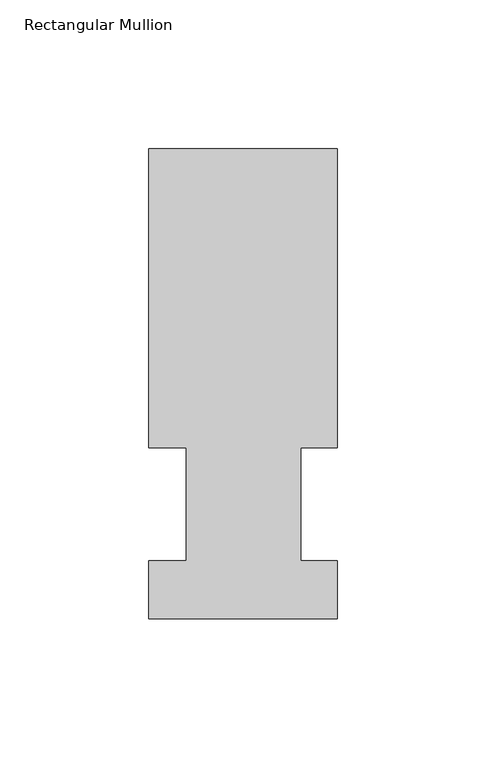
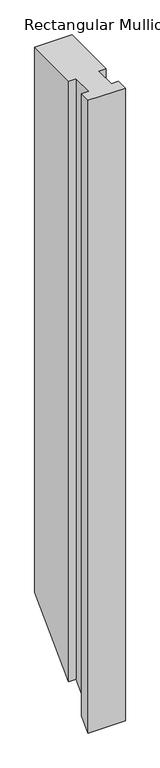
"""IFC4 building model written with IfcOpenShell, lengths in millimetres: member geometry, Rectangular Mullion."""

import ifcopenshell
import ifcopenshell.guid

model = None  # the IFC model being written
_history = None  # IfcOwnerHistory: only IFC2X3 demands one
_inside = {}  # id of a spatial element -> (the spatial element, [elements in it])
_under = {}  # id of a project, library or spatial element -> (it, [spatial elements below it])
_declared = {}  # id of a project -> (the project, [libraries it declares])
_typed = {}  # id of a type object -> (the type object, [elements of that type])
_made_of = {}  # id of a material, layer set ... -> (it, [elements and type objects made of it])


def new_model(schema):
    """Start an empty IFC model of exactly this schema.

    Asked for "IFC4X3", IfcOpenShell would pick the latest addendum, in which some entities
    have other attributes; the version numbers below select the first issue.
    IFC2X3 requires an IfcOwnerHistory on every rooted entity: one is made here for all.
    """
    global model, _history
    if schema == "IFC4X3":
        model = ifcopenshell.file(schema_version=(4, 3, 0, 0))
    else:
        model = ifcopenshell.file(schema=schema)
    _inside.clear()
    _under.clear()
    _declared.clear()
    _typed.clear()
    _made_of.clear()
    _history = None
    if model.schema == "IFC2X3":
        org = make("IfcOrganization", Name="unknown")
        user = make(
            "IfcPersonAndOrganization",
            ThePerson=make("IfcPerson", FamilyName="unknown"),
            TheOrganization=org,
        )
        app = make(
            "IfcApplication",
            ApplicationDeveloper=org,
            Version="unknown",
            ApplicationFullName="unknown",
            ApplicationIdentifier="unknown",
        )
        _history = make(
            "IfcOwnerHistory",
            OwningUser=user,
            OwningApplication=app,
            ChangeAction="ADDED",
            CreationDate=0,
        )
    return model


def make(cls, **values):
    """One entity of the class cls with the attributes given. An attribute that is None is left unset."""
    return model.create_entity(
        cls, **{name: value for name, value in values.items() if value is not None}
    )


def rooted(cls, **values):
    """An entity with a GlobalId (a new one), such as an element, a storey or a relation."""
    return make(cls, GlobalId=ifcopenshell.guid.new(), OwnerHistory=_history, **values)


def si_unit(unit_type, name, prefix=None):
    """IfcSIUnit, for example si_unit("LENGTHUNIT", "METRE", prefix="MILLI")."""
    return make("IfcSIUnit", UnitType=unit_type, Prefix=prefix, Name=name)


def assignment(units):
    """IfcUnitAssignment: the units of a project."""
    return None if units is None else make("IfcUnitAssignment", Units=units)


def point(xyz):
    """IfcCartesianPoint."""
    return None if xyz is None else make("IfcCartesianPoint", Coordinates=xyz)


def direction(xyz):
    """IfcDirection."""
    return None if xyz is None else make("IfcDirection", DirectionRatios=xyz)


def frame(location, z_axis=None, x_axis=None):
    """IfcAxis2Placement3D, a coordinate frame: its origin and axes. An axis left out is left unset."""
    return make(
        "IfcAxis2Placement3D",
        Location=point(location),
        Axis=direction(z_axis),
        RefDirection=direction(x_axis),
    )


def origin():
    """The frame at (0, 0, 0) with its axes left unset."""
    return frame((0.0, 0.0, 0.0))


def place(relative_to, where):
    """IfcLocalPlacement: puts the frame where relative to a parent placement (None: the world)."""
    return make(
        "IfcLocalPlacement", PlacementRelTo=relative_to, RelativePlacement=where
    )


def context(
    kind, dimensions, precision=None, world=None, true_north=None, identifier=None
):
    """IfcGeometricRepresentationContext, for example the 3D "Model" context."""
    return make(
        "IfcGeometricRepresentationContext",
        ContextIdentifier=identifier,
        ContextType=kind,
        CoordinateSpaceDimension=dimensions,
        Precision=precision,
        WorldCoordinateSystem=world,
        TrueNorth=true_north,
    )


def project(units=None, contexts=None):
    """IfcProject with its units and contexts."""
    return rooted(
        "IfcProject",
        Name="project",
        RepresentationContexts=contexts,
        UnitsInContext=assignment(units),
    )


def spatial(cls, under=None, at=None, **own):
    """A site, building, storey or space (cls), placed at a placement, below another one or the project."""
    s = rooted(cls, ObjectPlacement=at, **own)
    if under is not None:
        _under.setdefault(under.id(), (under, []))[1].append(s)
    return s


def faces_of(points, faces, orient=None, outer=None):
    """IfcFace entities. A face is a list of loops; a loop is a list of indices into points, from 0.

    orient and outer hold one flag for each loop. By default every Orientation is true, the
    first loop of a face is its IfcFaceOuterBound and the others are IfcFaceBound.
    """
    made = []
    for i, loops in enumerate(faces):
        bounds = []
        for j, loop in enumerate(loops):
            is_outer = j == 0 if outer is None else outer[i][j]
            bounds.append(
                make(
                    "IfcFaceOuterBound" if is_outer else "IfcFaceBound",
                    Bound=make("IfcPolyLoop", Polygon=[points[k] for k in loop]),
                    Orientation=True if orient is None else orient[i][j],
                )
            )
        made.append(make("IfcFace", Bounds=bounds))
    return made


def faceted_brep(points, faces, orient=None, outer=None, voids=None):
    """IfcFacetedBrep: a solid bounded by flat faces; with voids (closed shells), ...WithVoids."""
    shared = [point(p) for p in points]
    hull = make("IfcClosedShell", CfsFaces=faces_of(shared, faces, orient, outer))
    if voids is None:
        return make("IfcFacetedBrep", Outer=hull)
    return make(
        "IfcFacetedBrepWithVoids",
        Outer=hull,
        Voids=[
            make(cls, CfsFaces=faces_of(shared, fs, o, b)) for cls, fs, o, b in voids
        ],
    )


def shape(context_of_items, identifier, shape_type, items):
    """IfcShapeRepresentation: the items that make up one representation, for example the "Body"."""
    return make(
        "IfcShapeRepresentation",
        ContextOfItems=context_of_items,
        RepresentationIdentifier=identifier,
        RepresentationType=shape_type,
        Items=items,
    )


def source(mapping_origin, context_of_items, identifier, shape_type, items):
    """IfcRepresentationMap: a shape defined once, which mapped items show again and again."""
    return make(
        "IfcRepresentationMap",
        MappingOrigin=mapping_origin,
        MappedRepresentation=shape(context_of_items, identifier, shape_type, items),
    )


def transform(
    local_origin,
    x_axis=None,
    y_axis=None,
    z_axis=None,
    scale=None,
    scale2=None,
    scale3=None,
    uniform=True,
):
    """IfcCartesianTransformationOperator3D, or its non-uniform kind. x_axis, y_axis, z_axis: its Axis1, 2, 3."""
    if uniform:
        return make(
            "IfcCartesianTransformationOperator3D",
            Axis1=direction(x_axis),
            Axis2=direction(y_axis),
            LocalOrigin=point(local_origin),
            Scale=scale,
            Axis3=direction(z_axis),
        )
    return make(
        "IfcCartesianTransformationOperator3DnonUniform",
        Axis1=direction(x_axis),
        Axis2=direction(y_axis),
        LocalOrigin=point(local_origin),
        Scale=scale,
        Axis3=direction(z_axis),
        Scale2=scale2,
        Scale3=scale3,
    )


def mapped(mapping_source, mapping_target):
    """IfcMappedItem: shows the shape of a source again, moved by a transform."""
    return make(
        "IfcMappedItem", MappingSource=mapping_source, MappingTarget=mapping_target
    )


def made_of(thing, what):
    """Note that an element or type object is made of a material, layer set ...; save() writes the relation."""
    if what is not None:
        _made_of.setdefault(what.id(), (what, []))[1].append(thing)
    return thing


def element(
    cls,
    number,
    at=None,
    inside=None,
    cuts=None,
    type_object=None,
    material=None,
    context=None,
    identifier="Body",
    shape_type=None,
    held_by="IfcProductDefinitionShape",
    body=None,
    shapes=None,
    **own,
):
    """One element of the class cls, such as IfcWall. Its Tag is "e" and its number.

    at: its placement. inside: the storey or other place that contains it. cuts: it is an
    opening in that element (IfcRelVoidsElement). A single representation is given by context,
    identifier, shape_type and body (its items); several are given by shapes. held_by: the class
    of the entity that holds the representations. save() writes the other relations.
    """
    e = rooted(cls, Tag="e%d" % number, ObjectPlacement=at, **own)
    if body is not None:
        shapes = [shape(context, identifier, shape_type, body)]
    if shapes is not None:
        e.Representation = make(held_by, Representations=shapes)
    if inside is not None:
        _inside.setdefault(inside.id(), (inside, []))[1].append(e)
    if cuts is not None:
        rooted(
            "IfcRelVoidsElement", RelatingBuildingElement=cuts, RelatedOpeningElement=e
        )
    if type_object is not None:
        _typed.setdefault(type_object.id(), (type_object, []))[1].append(e)
    return made_of(e, material)


def aggregate(whole, parts):
    """IfcRelAggregates: a whole, such as a stair, and the parts it consists of."""
    return rooted("IfcRelAggregates", RelatingObject=whole, RelatedObjects=parts)


def save(model, path):
    """Write the relations noted so far, then the file.

    IfcRelAggregates (storeys below a building ...), IfcRelContainedInSpatialStructure (elements
    in a storey), IfcRelDefinesByType, IfcRelAssociatesMaterial and IfcRelDeclares: one each for
    every whole, place, type object, material and project.
    """
    for whole, parts in _under.values():
        aggregate(whole, parts)
    for where, things in _inside.values():
        rooted(
            "IfcRelContainedInSpatialStructure",
            RelatedElements=things,
            RelatingStructure=where,
        )
    for kind, things in _typed.values():
        rooted("IfcRelDefinesByType", RelatedObjects=things, RelatingType=kind)
    for what, things in _made_of.values():
        rooted("IfcRelAssociatesMaterial", RelatedObjects=things, RelatingMaterial=what)
    for by, libraries in _declared.values():
        rooted("IfcRelDeclares", RelatingContext=by, RelatedDefinitions=libraries)
    model.write(path)


def rectangular_mullion_e43f8e38(model_context):
    return source(origin(), model_context, "Body", "Brep", [
        faceted_brep([(-63.5, 57.6460937, 0.0), (-50.8, 57.6460937, 0.0), (-50.8, 19.5460937, 0.0), (-63.5, 19.5460937, 0.0), (-63.5, 0.0134937, 0.0), (0.0, 0.0134937, 0.0), (0.0, 19.5460937, 0.0), (-12.3418395, 19.5460937, 0.0), (-12.3418395, 57.6460937, 0.0), (0.0, 57.6460937, 0.0), (0.0, 158.3316937, 0.0), (-63.5, 158.3316937, 0.0), (-63.5, 57.6460937, -1085.3674), (-50.8, 57.6460937, -1085.3674), (-50.8, 19.5460937, -1123.4674), (-63.5, 19.5460937, -1123.4674), (-63.5, 0.0134937, -1143.0), (0.0, 0.0134937, -1143.0), (0.0, 19.5460937, -1123.4674), (-12.3418395, 19.5460937, -1123.4674), (-12.3418395, 57.6460937, -1085.3674), (0.0, 57.6460938, -1085.3674), (0.0, 158.3316937, -984.6818), (-63.5, 158.3316937, -984.6818)], [[[0, 1, 2, 3, 4, 5, 6, 7, 8, 9, 10, 11]], [[1, 0, 12, 13]], [[2, 1, 13, 14]], [[3, 2, 14, 15]], [[4, 3, 15, 16]], [[5, 4, 16, 17]], [[6, 5, 17, 18]], [[7, 6, 18, 19]], [[8, 7, 19, 20]], [[9, 8, 20, 21]], [[10, 9, 21, 22]], [[11, 10, 22, 23]], [[0, 11, 23, 12]], [[12, 23, 22, 21, 20, 19, 18, 17, 16, 15, 14, 13]]]),
    ])


if __name__ == "__main__":
    model = new_model("IFC4")
    model_context = context("Model", 3, world=origin())
    ifc_project = project(units=[si_unit("LENGTHUNIT", "METRE", prefix="MILLI")], contexts=[model_context])
    site = spatial("IfcSite", under=ifc_project)
    building = spatial("IfcBuilding", under=site)
    placement = place(None, origin())
    rectangular_mullion_shape = rectangular_mullion_e43f8e38(model_context)
    element("IfcMember", 1, ObjectType="Rectangular Mullion", at=placement, inside=building, context=model_context, shape_type="MappedRepresentation", body=[
        mapped(rectangular_mullion_shape, transform((0.0, 0.0, 0.0), x_axis=(1.0, 0.0, 0.0), y_axis=(0.0, 1.0, 0.0), z_axis=(0.0, 0.0, 1.0))),
    ])
    save(model, "model.ifc")
